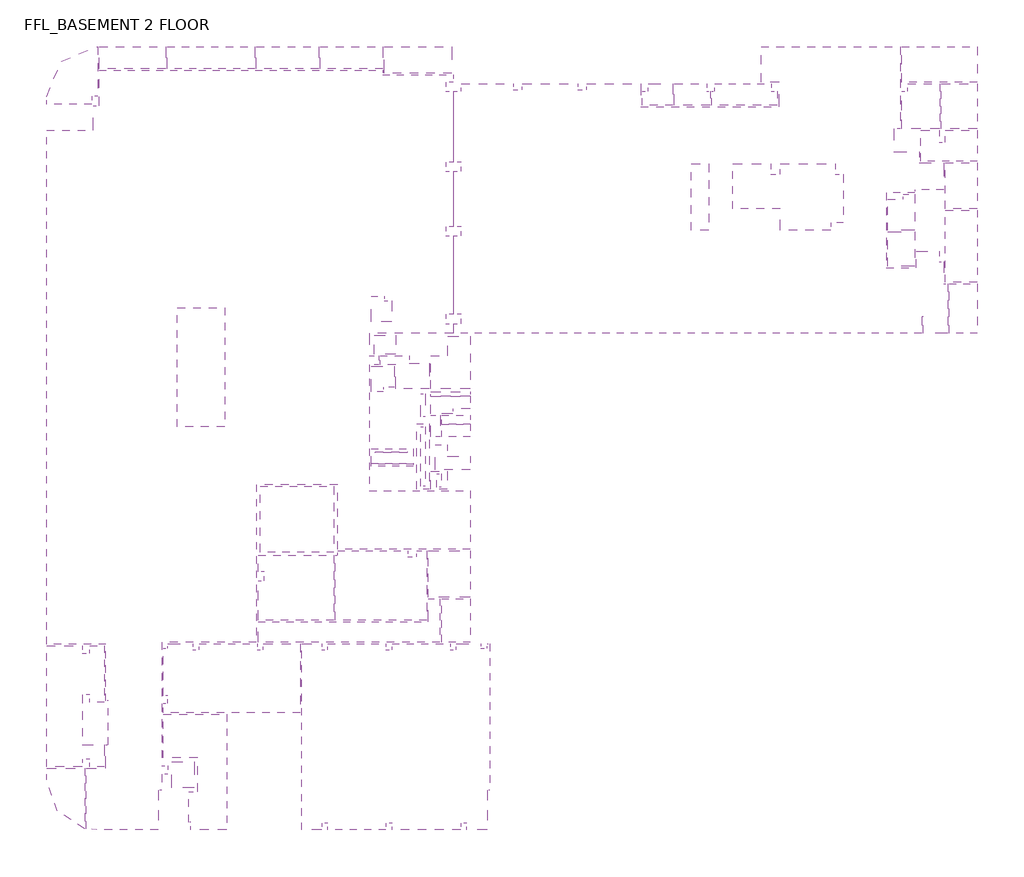
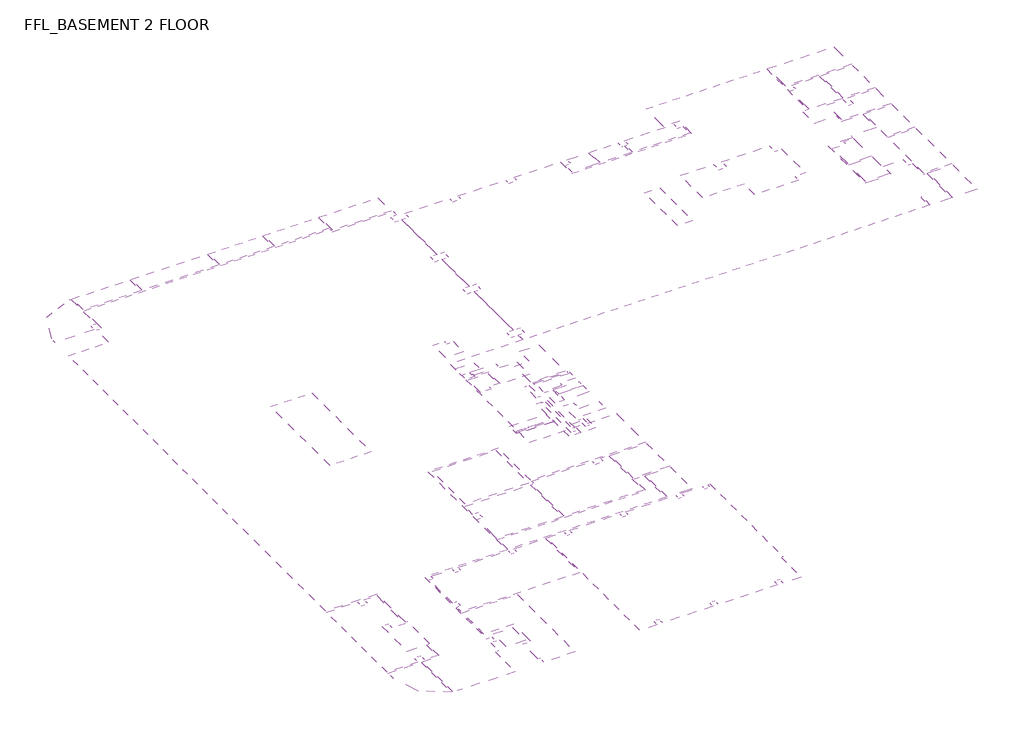
# One storey: 54 coverings.
"""IFC4 building model written with IfcOpenShell, lengths in millimetres."""

from ifc_helpers import new_model, si_unit, point, frame, frame_2d, origin, place, context, project, spatial, polyline, circle_curve, trimmed, segment, composite_curve, outline, extrude, element, save

model = new_model("IFC4")

# Units and contexts
model_context = context("Model", 3, world=origin())
ifc_project = project(units=[si_unit("LENGTHUNIT", "METRE", prefix="MILLI")], contexts=[model_context])

# Site, building, storey
site = spatial("IfcSite", under=ifc_project)
building = spatial("IfcBuilding", under=site)
storey = spatial("IfcBuildingStorey", under=building, Name="FFL_BASEMENT 2 FLOOR", Elevation=-10350.0)

# Coverings
placement = place(None, origin())
element("IfcCovering", 1, at=placement, inside=storey, context=model_context, shape_type="SweptSolid", body=[
    extrude(outline(composite_curve([segment(polyline([(-108405.1920273, -11409.652132), (-108405.1920273, -8209.652132), (-107605.1920273, -8209.652132), (-107605.1920273, -3599.652132), (-70605.1920273, -3599.652132), (-70605.1920273, -4209.652132), (-61430.1920273, -4209.652132), (-61430.1920273, -5159.652132), (-62430.1920273, -5159.652132), (-62430.1920273, -6359.652132), (-61430.1920273, -6359.652132), (-61430.1920273, -15609.652132), (-62430.1920273, -15609.652132), (-62430.1920273, -16809.652132), (-61430.1920273, -16809.652132), (-61430.1920273, -24009.652132), (-62430.1920273, -24009.652132), (-62430.1920273, -25209.652132), (-61430.1920273, -25209.652132), (-61430.1920273, -35459.652132), (-62430.1920273, -35459.652132), (-62430.1920273, -36659.652132), (-61430.1920273, -36659.652132), (-61430.1920273, -37959.652132), (-72355.1920273, -37959.652132), (-72355.1920273, -40859.652132), (-71155.1920273, -40859.652132), (-71155.1920273, -42059.652132), (-72355.1920273, -42059.652132), (-72355.1920273, -58509.652132), (-59205.1920273, -58509.652132), (-59205.1920273, -66109.6521319), (-76505.1920273, -66109.6521319), (-76505.1920273, -57709.652132), (-87105.1920273, -57709.652132), (-87105.1920273, -78259.6521322), (-99455.1920273, -78259.6521322), (-99455.1920273, -94359.6521322), (-98655.1920273, -94359.6521322), (-98655.1920273, -95459.6521322), (-99455.1920273, -95459.6521322), (-99455.1920273, -97559.6521322), (-99955.1920273, -97559.6521322), (-99955.1920273, -102759.6521322), (-107955.1920273, -102759.6521322)]), True, "CONTINUOUS"), segment(trimmed(circle_curve(frame_2d((-107955.1920273, -96209.6521322)), 6550.0), [point((-107955.1920273, -102759.6521322))], [point((-109305.1920273, -102619.0202757))], False, "CARTESIAN"), True, "CONTINUOUS"), segment(polyline([(-109305.1920273, -102619.0202757), (-109305.1920273, -94709.652132), (-106755.1920273, -94709.652132), (-106755.1920273, -91630.052132), (-106455.1920273, -91630.052132), (-106455.1920273, -85910.052132), (-106755.1920273, -85910.052132), (-106755.1920273, -78509.6521321), (-114505.1920273, -78509.6521321), (-114505.1920273, -55609.652132), (-114505.1920273, -11409.652132), (-108405.1920273, -11409.652132)]), True, "CONTINUOUS")], self_intersect=False), holes=[composite_curve([segment(polyline([(-93435.1920273, -21009.652132), (-97555.1920273, -21009.652132), (-97555.1920273, -23909.652132), (-99755.1920273, -23909.652132), (-99755.1920273, -25309.652132), (-97655.1920273, -25309.652132), (-97655.1920273, -32209.652132), (-98655.1920273, -32209.652132), (-98655.1920273, -33209.652132), (-97455.1920273, -33209.652132), (-97455.1920273, -32409.652132), (-95705.1920273, -32409.652132), (-95705.1920273, -34409.652132), (-97655.1920273, -34409.652132), (-97655.1920273, -40909.652132), (-98655.1920273, -40909.652132), (-98655.1920273, -41909.652132), (-97655.1920273, -41909.652132), (-97655.1920273, -49309.652132), (-98655.1920273, -49309.652132), (-98655.1920273, -50309.652132), (-91055.1920273, -50309.652132), (-91055.1920273, -34609.652132), (-89655.1920273, -34609.652132), (-89655.1920273, -37434.652132), (-89255.1920273, -37434.652132), (-89255.1920273, -36934.652132), (-89455.1920273, -36934.652132), (-89455.1920273, -34609.652132), (-85905.1920273, -34609.652132), (-85905.1920273, -24609.652132), (-86574.0450445, -24609.652132)]), True, "CONTINUOUS"), segment(trimmed(circle_curve(frame_2d((-84355.1920273, -29201.6768802)), 5100.0), [point((-86574.0450445, -24609.652132))], [point((-84640.2949138, -24109.6521018))], False, "CARTESIAN"), True, "CONTINUOUS"), segment(polyline([(-84640.2949138, -24109.6521018), (-78405.1920273, -24109.6521018), (-78405.1920273, -25109.6521018), (-77405.1920273, -25109.6521018), (-77405.1920273, -24109.652132), (-71305.1920273, -24109.652132), (-71305.1920273, -25309.652132), (-68905.1920273, -25309.652132), (-68905.1920273, -18859.652132), (-69405.1920273, -18859.652132), (-69405.1920273, -19059.6520715), (-77655.1920273, -19059.6520715), (-77655.1920273, -18859.652132), (-78155.1920273, -18859.652132), (-78155.1920273, -19059.6521018), (-83492.2888015, -19059.6521018), (-83492.2888015, -18859.652132), (-84792.2888015, -18859.652132), (-84792.2888015, -19063.7742095)]), True, "CONTINUOUS"), segment(trimmed(circle_curve(frame_2d((-84505.1920273, -29059.652132)), 10000.0), [point((-84792.2888015, -19063.7742095))], [point((-89728.3468206, -20532.1288102))], True, "CARTESIAN"), True, "CONTINUOUS"), segment(polyline([(-89728.3468206, -20532.1288102), (-89829.7942425, -20365.2269493), (-90257.0583138, -20624.9294972), (-90148.2276157, -20803.978365)]), True, "CONTINUOUS"), segment(trimmed(circle_curve(frame_2d((-84505.1920273, -29059.652132)), 10000.0), [point((-90148.2276157, -20803.978365))], [point((-92708.0614537, -23340.1300215))], True, "CARTESIAN"), True, "CONTINUOUS"), segment(polyline([(-92708.0614537, -23340.1300215), (-92872.4812529, -23225.5781399), (-93158.3041307, -23635.8284081), (-92983.7750941, -23757.4234328)]), True, "CONTINUOUS"), segment(trimmed(circle_curve(frame_2d((-84505.1920273, -29059.652132)), 10000.0), [point((-92983.7750941, -23757.4234328))], [point((-93435.1920273, -24559.085501))], True, "CARTESIAN"), True, "CONTINUOUS"), segment(polyline([(-93435.1920273, -24559.085501), (-93435.1920273, -21009.652132)]), True, "CONTINUOUS")], self_intersect=False), polyline([(-72355.1920273, -36659.652132), (-69255.1920273, -36659.652132), (-69255.1920273, -32109.652132), (-70455.1920273, -32109.652132), (-70455.1920273, -32909.652132), (-72355.1920273, -32909.652132), (-72355.1920273, -36659.652132)]), polyline([(-77305.1920273, -49209.652132), (-79105.1920273, -49209.652132), (-79105.1920273, -50409.652132), (-77305.1920273, -50409.652132), (-77305.1920273, -49209.652132)]), polyline([(-85755.1920273, -50309.652132), (-85755.1920273, -49109.652132), (-87355.1920273, -49109.652132), (-87355.1920273, -50309.652132), (-85755.1920273, -50309.652132)]), polyline([(-85705.1920273, -42009.652132), (-85705.1920273, -40809.652132), (-87305.1920273, -40809.652132), (-87305.1920273, -42009.652132), (-85705.1920273, -42009.652132)]), polyline([(-77505.1920273, -42009.652132), (-77505.1920273, -40809.652132), (-79105.1920273, -40809.652132), (-79105.1920273, -42009.652132), (-77505.1920273, -42009.652132)]), polyline([(-77505.1920273, -34609.652132), (-77505.1920273, -32209.652132), (-78905.1920273, -32209.652132), (-78905.1920273, -34609.652132), (-77505.1920273, -34609.652132)]), polyline([(-97455.1920273, -57709.652132), (-98655.1920273, -57709.652132), (-98655.1920273, -58709.652132), (-97455.1920273, -58709.652132), (-97455.1920273, -57709.652132)]), polyline([(-97855.1920273, -70259.652132), (-97855.1920273, -69459.652132), (-98655.1920273, -69459.652132), (-98655.1920273, -70259.652132), (-97855.1920273, -70259.652132)]), polyline([(-94505.1920273, -69059.652132), (-95505.1920273, -69059.652132), (-95505.1920273, -70259.652132), (-94505.1920273, -70259.652132), (-94505.1920273, -69059.652132)]), polyline([(-108855.1920273, -69059.652132), (-109855.1920273, -69059.652132), (-109855.1920273, -70259.652132), (-108855.1920273, -70259.652132), (-108855.1920273, -69059.652132)]), polyline([(-109855.1920273, -57609.652132), (-110855.1920273, -57609.652132), (-110855.1920273, -58809.652132), (-109855.1920273, -58809.652132), (-109855.1920273, -57609.652132)]), polyline([(-109855.1920273, -49209.6534707), (-110855.1920273, -49209.6534707), (-110855.1920273, -50409.6534707), (-109855.1920273, -50409.6534707), (-109855.1920273, -49209.6534707)]), polyline([(-109855.1920273, -40809.652132), (-110855.1920273, -40809.652132), (-110855.1920273, -42009.652132), (-109855.1920273, -42009.652132), (-109855.1920273, -40809.652132)]), polyline([(-109855.1920273, -32409.652132), (-110855.1920273, -32409.652132), (-110855.1920273, -33609.652132), (-109855.1920273, -33609.652132), (-109855.1920273, -32409.652132)]), polyline([(-109850.3481352, -25209.652132), (-109850.3481352, -24009.652132), (-110850.3481352, -24009.652132), (-110850.3481352, -25209.652132), (-109850.3481352, -25209.652132)]), polyline([(-109855.1920273, -15609.652132), (-110855.1920273, -15609.652132), (-110855.1920273, -16809.652132), (-109855.1920273, -16809.652132), (-109855.1920273, -15609.652132)]), polyline([(-97355.1920273, -15509.652132), (-99755.1920273, -15509.652132), (-99755.1920273, -16909.652132), (-97355.1920273, -16909.652132), (-97355.1920273, -15509.652132)]), polyline([(-98755.1920273, -5159.652132), (-99755.1920273, -5159.652132), (-99755.1920273, -6359.652132), (-98755.1920273, -6359.652132), (-98755.1920273, -5159.652132)]), polyline([(-94305.1920273, -5159.652132), (-95705.1920273, -5159.652132), (-95705.1920273, -7559.652132), (-94305.1920273, -7559.652132), (-94305.1920273, -5159.652132)]), polyline([(-85905.1920273, -5159.652132), (-87305.1920273, -5159.652132), (-87305.1920273, -7559.652132), (-85905.1920273, -7559.652132), (-85905.1920273, -5159.652132)]), polyline([(-85905.1920273, -16409.652132), (-85905.1920273, -15209.652132), (-86905.1920273, -15209.652132), (-86905.1920273, -16409.652132), (-85905.1920273, -16409.652132)]), polyline([(-78305.1920273, -15209.652132), (-78305.1920273, -16409.652132), (-77305.1920273, -16409.652132), (-77305.1920273, -15209.652132), (-78305.1920273, -15209.652132)]), polyline([(-68905.1920273, -15509.652132), (-71305.1920273, -15509.652132), (-71305.1920273, -16909.652132), (-68905.1920273, -16909.652132), (-68905.1920273, -15509.652132)]), polyline([(-70305.1920273, -6359.652132), (-69305.1920273, -6359.652132), (-69305.1920273, -5159.652132), (-70305.1920273, -5159.652132), (-70305.1920273, -6359.652132)]), polyline([(-77505.1920273, -5159.652132), (-78905.1920273, -5159.652132), (-78905.1920273, -7559.652132), (-77505.1920273, -7559.652132), (-77505.1920273, -5159.652132)])]), frame((0.0, 0.0, -5990.0), z_axis=(0.0, 0.0, 1.0), x_axis=(1.0, 0.0, 0.0)), (0.0, 0.0, 1.0), 20.0),
])
element("IfcCovering", 2, at=placement, inside=storey, context=model_context, shape_type="SweptSolid", body=[
    extrude(outline(polyline([(-53605.1920273, -5359.652132), (-53605.1920273, -6159.652132), (-52405.1920273, -6159.652132), (-52405.1920273, -5359.652132), (-45205.1920273, -5359.652132), (-45205.1920273, -6159.652132), (-44005.1920273, -6159.652132), (-44005.1920273, -5359.652132), (-36955.1920273, -5359.652132), (-36955.1920273, -8359.652132), (-18905.1920273, -8359.652132), (-18905.1920273, -5159.652132), (-21254.8573023, -5159.652132), (-21254.8573023, -509.652132), (-3105.1920273, -509.652132), (-3105.1920273, -11259.652132), (-3905.1920273, -11259.652132), (-3905.1920273, -14259.652132), (-605.1920273, -14259.652132), (-605.1920273, -15659.652132), (2594.8079727, -15659.652132), (2594.8079727, -19209.652132), (-1205.1920273, -19209.652132), (-1205.1920273, -19609.652132), (-4905.1920273, -19609.652132), (-4905.1920273, -29359.652132), (-1005.1920273, -29359.652132), (-1005.1920273, -27209.652132), (1994.8079727, -27209.652132), (1994.8079727, -28609.652132), (2594.8079727, -28609.652132), (2594.8079727, -31459.652132), (3094.8079727, -31459.652132), (3094.8079727, -37959.652132), (-105.1920273, -37959.652132), (-105.1920273, -35765.8059782), (-305.1920273, -35765.8059782), (-305.1920273, -37959.652132), (-61380.1920273, -37959.652132), (-61380.1920273, -36659.652132), (-60380.1920273, -36659.652132), (-60380.1920273, -35459.652132), (-61380.1920273, -35459.652132), (-61380.1920273, -25209.652132), (-60380.1920273, -25209.652132), (-60380.1920273, -24009.652132), (-61380.1920273, -24009.652132), (-61380.1920273, -16809.652132), (-60380.1920273, -16809.652132), (-60380.1920273, -15609.652132), (-61380.1920273, -15609.652132), (-61380.1920273, -6359.652132), (-60380.1920273, -6359.652132), (-60380.1920273, -5359.652132), (-53605.1920273, -5359.652132)]), holes=[polyline([(-10355.1920273, -15609.652132), (-36955.1920273, -15609.652132), (-36955.1920273, -24709.652132), (-10355.1920273, -24709.652132), (-10355.1920273, -15609.652132)])]), frame((0.0, 0.0, -5990.0), z_axis=(0.0, 0.0, 1.0), x_axis=(1.0, 0.0, 0.0)), (0.0, 0.0, 1.0), 20.0),
])
element("IfcCovering", 3, ObjectType="600 x 600mm Grid", at=placement, inside=storey, context=model_context, shape_type="SweptSolid", body=[
    extrude(outline(polyline([(-65055.1920273, -50109.652132), (-65055.1920273, -57909.652132), (-65655.1920273, -57909.652132), (-65655.1920273, -50109.652132), (-65055.1920273, -50109.652132)])), frame((0.0, 0.0, -7150.0), z_axis=(0.0, 0.0, 1.0), x_axis=(1.0, 0.0, 0.0)), (0.0, 0.0, 1.0), 52.0),
])
element("IfcCovering", 4, ObjectType="600 x 600mm Grid_Moisture", at=placement, inside=storey, context=model_context, shape_type="SweptSolid", body=[
    extrude(outline(polyline([(-59205.1920273, -55759.652132), (-63755.1920273, -55759.652132), (-63755.1920273, -52509.652132), (-62205.1920273, -52509.652132), (-62205.1920273, -53959.6521321), (-59205.1920273, -53959.6521321), (-59205.1920273, -55759.652132)])), frame((0.0, 0.0, -6850.0), z_axis=(0.0, 0.0, 1.0), x_axis=(1.0, 0.0, 0.0)), (0.0, 0.0, 1.0), 52.0),
])
element("IfcCovering", 5, ObjectType="600 x 600mm Grid_Moisture", at=placement, inside=storey, context=model_context, shape_type="SweptSolid", body=[
    extrude(outline(polyline([(-59205.1920273, -48609.6521321), (-59205.1920273, -49829.6521321), (-62905.1920273, -49829.6521321), (-62905.1920273, -48609.6521321), (-59205.1920273, -48609.6521321)])), frame((0.0, 0.0, -6850.0), z_axis=(0.0, 0.0, 1.0), x_axis=(1.0, 0.0, 0.0)), (0.0, 0.0, 1.0), 52.0),
])
element("IfcCovering", 6, ObjectType="600 x 600mm Grid_Moisture", at=placement, inside=storey, context=model_context, shape_type="SweptSolid", body=[
    extrude(outline(polyline([(-65655.1920273, -45834.652132), (-65055.1920273, -45834.652132), (-65055.1920273, -48834.652132), (-65655.1920273, -48834.652132), (-65655.1920273, -45834.652132)])), frame((0.0, 0.0, -7150.0), z_axis=(0.0, 0.0, 1.0), x_axis=(1.0, 0.0, 0.0)), (0.0, 0.0, 1.0), 52.0),
])
element("IfcCovering", 7, ObjectType="600 x 600mm Grid_Moisture", at=placement, inside=storey, context=model_context, shape_type="SweptSolid", body=[
    extrude(outline(polyline([(-59205.1920273, -46159.652132), (-59205.1920273, -47809.6521321), (-61505.1920273, -47809.6521321), (-61505.1920273, -48409.6521321), (-64355.1920273, -48409.6521321), (-64355.1920273, -46159.652132), (-59205.1920273, -46159.652132)])), frame((0.0, 0.0, -6850.0), z_axis=(0.0, 0.0, 1.0), x_axis=(1.0, 0.0, 0.0)), (0.0, 0.0, 1.0), 52.0),
])
element("IfcCovering", 8, ObjectType="600 x 600mm Grid_Moisture", at=placement, inside=storey, context=model_context, shape_type="SweptSolid", body=[
    extrude(outline(polyline([(-62980.1920273, -56234.652132), (-62980.1920273, -58034.652132), (-63580.1920273, -58034.652132), (-63580.1920273, -56234.652132), (-62980.1920273, -56234.652132)])), frame((0.0, 0.0, -6850.0), z_axis=(0.0, 0.0, 1.0), x_axis=(1.0, 0.0, 0.0)), (0.0, 0.0, 1.0), 52.0),
])
element("IfcCovering", 9, ObjectType="PAINTED MOISTURE RESISTANT GYPSUM BOARD", at=placement, inside=storey, context=model_context, shape_type="SweptSolid", body=[
    extrude(outline(polyline([(-63105.1920273, -48609.6521321), (-63105.1920273, -51459.6521321), (-64355.1920273, -51459.6521321), (-64355.1920273, -48609.6521321), (-63105.1920273, -48609.6521321)])), frame((0.0, 0.0, -6850.0), z_axis=(0.0, 0.0, 1.0), x_axis=(1.0, 0.0, 0.0)), (0.0, 0.0, 1.0), 57.0),
])
element("IfcCovering", 10, ObjectType="PAINTED MOISTURE RESISTANT GYPSUM BOARD", at=placement, inside=storey, context=model_context, shape_type="SweptSolid", body=[
    extrude(outline(polyline([(-59205.1920273, -45559.652132), (-59205.1920273, -46159.652132), (-64355.1920273, -46159.652132), (-64355.1920273, -45559.652132), (-59205.1920273, -45559.652132)])), frame((0.0, 0.0, -7150.0), z_axis=(0.0, 0.0, 1.0), x_axis=(1.0, 0.0, 0.0)), (0.0, 0.0, 1.0), 57.0),
    extrude(outline(polyline([(-59205.1920273, -48009.6521321), (-59205.1920273, -48609.6521321), (-61305.1920273, -48609.6521321), (-61305.1920273, -48009.6521321), (-59205.1920273, -48009.6521321)])), frame((0.0, 0.0, -7150.0), z_axis=(0.0, 0.0, 1.0), x_axis=(1.0, 0.0, 0.0)), (0.0, 0.0, 1.0), 57.0),
    extrude(outline(polyline([(-63755.1920273, -52509.652132), (-63755.1920273, -55759.652132), (-64355.1920273, -55759.652132), (-64355.1920273, -52509.652132), (-63755.1920273, -52509.652132)])), frame((0.0, 0.0, -7150.0), z_axis=(0.0, 0.0, 1.0), x_axis=(1.0, 0.0, 0.0)), (0.0, 0.0, 1.0), 57.0),
])
element("IfcCovering", 11, ObjectType="PAINTED MOISTURE RESISTANT GYPSUM BOARD", at=placement, inside=storey, context=model_context, shape_type="SweptSolid", body=[
    extrude(outline(polyline([(-59205.1920273, -49829.6521321), (-59205.1920273, -51459.6521321), (-62905.1920273, -51459.6521321), (-62905.1920273, -49829.6521321), (-59205.1920273, -49829.6521321)])), frame((0.0, 0.0, -6850.0), z_axis=(0.0, 0.0, 1.0), x_axis=(1.0, 0.0, 0.0)), (0.0, 0.0, 1.0), 57.0),
    extrude(outline(polyline([(-59205.1920273, -53959.6521321), (-62005.1920273, -53959.6521321), (-62005.1920273, -52309.6521321), (-59205.1920273, -52309.6521321), (-59205.1920273, -53959.6521321)])), frame((0.0, 0.0, -6850.0), z_axis=(0.0, 0.0, 1.0), x_axis=(1.0, 0.0, 0.0)), (0.0, 0.0, 1.0), 57.0),
    extrude(outline(polyline([(-59205.1920273, -55759.652132), (-59205.1920273, -57409.652132), (-62005.1920273, -57409.652132), (-62005.1920273, -55759.652132), (-59205.1920273, -55759.652132)])), frame((0.0, 0.0, -6850.0), z_axis=(0.0, 0.0, 1.0), x_axis=(1.0, 0.0, 0.0)), (0.0, 0.0, 1.0), 57.0),
])
element("IfcCovering", 12, ObjectType="PAINTED MOISTURE RESISTANT GYPSUM BOARD", at=placement, inside=storey, context=model_context, shape_type="SweptSolid", body=[
    extrude(outline(polyline([(-62205.1920273, -55959.652132), (-62205.1920273, -58309.652132), (-64355.1920273, -58309.652132), (-64355.1920273, -55959.652132), (-62205.1920273, -55959.652132)]), holes=[polyline([(-62980.1920273, -56234.652132), (-63580.1920273, -56234.652132), (-63580.1920273, -58034.652132), (-62980.1920273, -58034.652132), (-62980.1920273, -56234.652132)])]), frame((0.0, 0.0, -7350.0), z_axis=(0.0, 0.0, 1.0), x_axis=(1.0, 0.0, 0.0)), (0.0, 0.0, 1.0), 57.0),
])
element("IfcCovering", 13, ObjectType="Plain", at=placement, inside=storey, context=model_context, shape_type="SweptSolid", body=[
    extrude(outline(polyline([(-28055.1920273, -15809.652132), (-28055.1920273, -24509.652132), (-30355.1920273, -24509.652132), (-30355.1920273, -15809.652132), (-28055.1920273, -15809.652132)])), frame((0.0, 0.0, -6850.0), z_axis=(0.0, 0.0, 1.0), x_axis=(1.0, 0.0, 0.0)), (0.0, 0.0, 1.0), 57.0),
])
element("IfcCovering", 14, ObjectType="Plain", at=placement, inside=storey, context=model_context, shape_type="SweptSolid", body=[
    extrude(outline(polyline([(-68905.1920273, -38159.652132), (-68905.1920273, -40659.652132), (-71755.1920273, -40659.652132), (-71755.1920273, -38159.652132), (-68905.1920273, -38159.652132)])), frame((0.0, 0.0, -6850.0), z_axis=(0.0, 0.0, 1.0), x_axis=(1.0, 0.0, 0.0)), (0.0, 0.0, 1.0), 57.0),
    extrude(outline(polyline([(-66415.1920273, -40659.652132), (-68705.1920273, -40659.652132), (-68705.1920273, -38159.652132), (-66415.1920273, -38159.652132), (-66415.1920273, -40659.652132)])), frame((0.0, 0.0, -6850.0), z_axis=(0.0, 0.0, 1.0), x_axis=(1.0, 0.0, 0.0)), (0.0, 0.0, 1.0), 57.0),
    extrude(outline(polyline([(-64555.1920273, -38159.652132), (-64555.1920273, -40659.652132), (-66215.1920273, -40659.652132), (-66215.1920273, -38159.652132), (-64555.1920273, -38159.652132)])), frame((0.0, 0.0, -6850.0), z_axis=(0.0, 0.0, 1.0), x_axis=(1.0, 0.0, 0.0)), (0.0, 0.0, 1.0), 57.0),
    extrude(outline(polyline([(-62355.1920273, -38159.652132), (-62355.1920273, -40659.652132), (-64355.1920273, -40659.652132), (-64355.1920273, -38159.652132), (-62355.1920273, -38159.652132)])), frame((0.0, 0.0, -6850.0), z_axis=(0.0, 0.0, 1.0), x_axis=(1.0, 0.0, 0.0)), (0.0, 0.0, 1.0), 57.0),
])
element("IfcCovering", 15, ObjectType="Plain", at=placement, inside=storey, context=model_context, shape_type="SweptSolid", body=[
    extrude(outline(polyline([(-59205.1920273, -38309.652132), (-59205.1920273, -45159.652132), (-64355.1920273, -45159.652132), (-64355.1920273, -40859.652132), (-62155.1920273, -40859.652132), (-62155.1920273, -38309.652132), (-59205.1920273, -38309.652132)])), frame((0.0, 0.0, -7350.0), z_axis=(0.0, 0.0, 1.0), x_axis=(1.0, 0.0, 0.0)), (0.0, 0.0, 1.0), 57.0),
])
element("IfcCovering", 16, ObjectType="Plain", at=placement, inside=storey, context=model_context, shape_type="SweptSolid", body=[
    extrude(outline(polyline([(-64555.1920273, -49709.652132), (-64555.1920273, -58309.652132), (-66155.1920273, -58309.652132), (-66155.1920273, -49709.652132), (-64555.1920273, -49709.652132)]), holes=[polyline([(-65055.1920273, -50109.652132), (-65655.1920273, -50109.652132), (-65655.1920273, -57909.652132), (-65055.1920273, -57909.652132), (-65055.1920273, -50109.652132)])]), frame((0.0, 0.0, -7350.0), z_axis=(0.0, 0.0, 1.0), x_axis=(1.0, 0.0, 0.0)), (0.0, 0.0, 1.0), 57.0),
    extrude(outline(polyline([(-64555.1920273, -45159.652132), (-64555.1920273, -49509.652132), (-66155.1920273, -49509.652132), (-66155.1920273, -45159.652132), (-64555.1920273, -45159.652132)]), holes=[polyline([(-65055.1920273, -45834.652132), (-65655.1920273, -45834.652132), (-65655.1920273, -48839.6521321), (-65055.1920273, -48839.6521321), (-65055.1920273, -45834.652132)])]), frame((0.0, 0.0, -7350.0), z_axis=(0.0, 0.0, 1.0), x_axis=(1.0, 0.0, 0.0)), (0.0, 0.0, 1.0), 57.0),
])
element("IfcCovering", 17, ObjectType="Plain", at=placement, inside=storey, context=model_context, shape_type="SweptSolid", body=[
    extrude(outline(polyline([(-66655.1920273, -53009.652132), (-66655.1920273, -55009.652132), (-72155.1920273, -55009.652132), (-72155.1920273, -53009.652132), (-66655.1920273, -53009.652132)]), holes=[polyline([(-67430.1920273, -53384.652132), (-71580.1920273, -53384.652132), (-71580.1920273, -53534.652132), (-67430.1920273, -53534.652132), (-67430.1920273, -53384.652132)])]), frame((0.0, 0.0, -6850.0), z_axis=(0.0, 0.0, 1.0), x_axis=(1.0, 0.0, 0.0)), (0.0, 0.0, 1.0), 57.0),
])
element("IfcCovering", 18, ObjectType="Plain", at=placement, inside=storey, context=model_context, shape_type="SweptSolid", body=[
    extrude(outline(polyline([(-66655.1920273, -53109.652132), (-72155.1920273, -53109.652132), (-72155.1920273, -52709.652132), (-66655.1920273, -52709.652132), (-66655.1920273, -53109.652132)])), frame((0.0, 0.0, -6650.0), z_axis=(0.0, 0.0, 1.0), x_axis=(1.0, 0.0, 0.0)), (0.0, 0.0, 1.0), 57.0),
    extrude(outline(polyline([(-72155.1920273, -54909.652132), (-66655.1920273, -54909.652132), (-66655.1920273, -55309.652132), (-72155.1920273, -55309.652132), (-72155.1920273, -54909.652132)])), frame((0.0, 0.0, -6650.0), z_axis=(0.0, 0.0, 1.0), x_axis=(1.0, 0.0, 0.0)), (0.0, 0.0, 1.0), 57.0),
])
element("IfcCovering", 19, ObjectType="Plain", at=placement, inside=storey, context=model_context, shape_type="SweptSolid", body=[
    extrude(outline(polyline([(-67430.1920273, -53384.652132), (-67430.1920273, -53534.652132), (-71580.1920273, -53534.652132), (-71580.1920273, -53384.652132), (-67430.1920273, -53384.652132)])), frame((0.0, 0.0, -7650.0), z_axis=(0.0, 0.0, 1.0), x_axis=(1.0, 0.0, 0.0)), (0.0, 0.0, 1.0), 57.0),
])
element("IfcCovering", 20, ObjectType="Plaster Paint", at=placement, inside=storey, context=model_context, shape_type="SweptSolid", body=[
    extrude(outline(polyline([(6994.8079727, -31459.652132), (6994.8079727, -37959.652132), (3294.8079727, -37959.652132), (3294.8079727, -31459.652132), (6994.8079727, -31459.652132)])), frame((0.0, 0.0, -5990.0), z_axis=(0.0, 0.0, 1.0), x_axis=(1.0, 0.0, 0.0)), (0.0, 0.0, 1.0), 20.0),
])
element("IfcCovering", 21, ObjectType="Plaster Paint", at=placement, inside=storey, context=model_context, shape_type="SweptSolid", body=[
    extrude(outline(polyline([(6994.8079727, -21859.652132), (6994.8079727, -31259.652132), (2794.8079727, -31259.652132), (2794.8079727, -21859.652132), (6994.8079727, -21859.652132)])), frame((0.0, 0.0, -5990.0), z_axis=(0.0, 0.0, 1.0), x_axis=(1.0, 0.0, 0.0)), (0.0, 0.0, 1.0), 20.0),
])
element("IfcCovering", 22, ObjectType="Plaster Paint", at=placement, inside=storey, context=model_context, shape_type="SweptSolid", body=[
    extrude(outline(polyline([(6994.8079727, -15659.652132), (6994.8079727, -21659.652132), (2794.8079727, -21659.652132), (2794.8079727, -15659.652132), (6994.8079727, -15659.652132)])), frame((0.0, 0.0, -5990.0), z_axis=(0.0, 0.0, 1.0), x_axis=(1.0, 0.0, 0.0)), (0.0, 0.0, 1.0), 20.0),
])
element("IfcCovering", 23, ObjectType="Plaster Paint", at=placement, inside=storey, context=model_context, shape_type="SweptSolid", body=[
    extrude(outline(polyline([(1994.8079727, -11459.652132), (1994.8079727, -13009.652132), (2794.8079727, -13009.652132), (2794.8079727, -11459.652132), (6994.8079727, -11459.652132), (6994.8079727, -15459.652132), (-405.1920273, -15459.652132), (-405.1920273, -11459.652132), (1994.8079727, -11459.652132)])), frame((0.0, 0.0, -5990.0), z_axis=(0.0, 0.0, 1.0), x_axis=(1.0, 0.0, 0.0)), (0.0, 0.0, 1.0), 20.0),
])
element("IfcCovering", 24, ObjectType="Plaster Paint", at=placement, inside=storey, context=model_context, shape_type="SweptSolid", body=[
    extrude(outline(polyline([(-2105.1920273, -6359.652132), (-2105.1920273, -5359.652132), (2044.8079727, -5359.652132), (2044.8079727, -11259.652132), (-2905.1920273, -11259.652132), (-2905.1920273, -6359.652132), (-2105.1920273, -6359.652132)])), frame((0.0, 0.0, -5990.0), z_axis=(0.0, 0.0, 1.0), x_axis=(1.0, 0.0, 0.0)), (0.0, 0.0, 1.0), 20.0),
])
element("IfcCovering", 25, ObjectType="Plaster Paint", at=placement, inside=storey, context=model_context, shape_type="SweptSolid", body=[
    extrude(outline(polyline([(2244.8079727, -5359.652132), (6994.8079727, -5359.652132), (6994.8079727, -11259.652132), (2244.8079727, -11259.652132), (2244.8079727, -5359.652132)])), frame((0.0, 0.0, -5990.0), z_axis=(0.0, 0.0, 1.0), x_axis=(1.0, 0.0, 0.0)), (0.0, 0.0, 1.0), 20.0),
])
element("IfcCovering", 26, ObjectType="Plaster Paint", at=placement, inside=storey, context=model_context, shape_type="SweptSolid", body=[
    extrude(outline(polyline([(-2905.1920273, -509.652132), (6994.8079727, -509.652132), (6994.8079727, -5159.652132), (-2905.1920273, -5159.652132), (-2905.1920273, -509.652132)])), frame((0.0, 0.0, -5990.0), z_axis=(0.0, 0.0, 1.0), x_axis=(1.0, 0.0, 0.0)), (0.0, 0.0, 1.0), 20.0),
])
element("IfcCovering", 27, ObjectType="Plaster Paint", at=placement, inside=storey, context=model_context, shape_type="SweptSolid", body=[
    extrude(outline(polyline([(-1205.1920273, -19809.652132), (-1205.1920273, -24509.652132), (-4705.1920273, -24509.652132), (-4705.1920273, -20409.652132), (-2705.1920273, -20409.652132), (-2705.1920273, -19809.652132), (-1205.1920273, -19809.652132)])), frame((0.0, 0.0, -5990.0), z_axis=(0.0, 0.0, 1.0), x_axis=(1.0, 0.0, 0.0)), (0.0, 0.0, 1.0), 20.0),
])
element("IfcCovering", 28, ObjectType="Plaster Paint", at=placement, inside=storey, context=model_context, shape_type="SweptSolid", body=[
    extrude(outline(polyline([(-1205.1920273, -24709.652132), (-1205.1920273, -29159.652132), (-4705.1920273, -29159.652132), (-4705.1920273, -24709.652132), (-1205.1920273, -24709.652132)])), frame((0.0, 0.0, -5990.0), z_axis=(0.0, 0.0, 1.0), x_axis=(1.0, 0.0, 0.0)), (0.0, 0.0, 1.0), 20.0),
])
element("IfcCovering", 29, ObjectType="Plaster Paint", at=placement, inside=storey, context=model_context, shape_type="SweptSolid", body=[
    extrude(outline(polyline([(-11555.1920273, -17209.652132), (-10530.1920273, -17209.652132), (-10530.1920273, -23509.652132), (-12155.1920273, -23509.652132), (-12155.1920273, -24509.652132), (-18755.1920273, -24509.652132), (-18755.1920273, -21709.652132), (-24955.1920273, -21709.652132), (-24955.1920273, -15809.652132), (-19955.1920273, -15809.652132), (-19955.1920273, -17209.652132), (-18755.1920273, -17209.652132), (-18755.1920273, -15809.652132), (-11555.1920273, -15809.652132), (-11555.1920273, -17209.652132)])), frame((0.0, 0.0, -5990.0), z_axis=(0.0, 0.0, 1.0), x_axis=(1.0, 0.0, 0.0)), (0.0, 0.0, 1.0), 20.0),
])
element("IfcCovering", 30, ObjectType="Plaster Paint", at=placement, inside=storey, context=model_context, shape_type="SweptSolid", body=[
    extrude(outline(polyline([(-27305.1920273, -6359.652132), (-27305.1920273, -5359.652132), (-19905.1920273, -5359.652132), (-19905.1920273, -6359.652132), (-19105.1920273, -6359.652132), (-19105.1920273, -8159.652132), (-27705.1920273, -8159.652132), (-27705.1920273, -6359.652132), (-27305.1920273, -6359.652132)])), frame((0.0, 0.0, -5990.0), z_axis=(0.0, 0.0, 1.0), x_axis=(1.0, 0.0, 0.0)), (0.0, 0.0, 1.0), 20.0),
])
element("IfcCovering", 31, ObjectType="Plaster Paint", at=placement, inside=storey, context=model_context, shape_type="SweptSolid", body=[
    extrude(outline(polyline([(-28305.1920273, -5359.652132), (-28305.1920273, -6359.652132), (-27905.1920273, -6359.652132), (-27905.1920273, -8159.652132), (-32555.1920273, -8159.652132), (-32555.1920273, -5359.652132), (-28305.1920273, -5359.652132)])), frame((0.0, 0.0, -5990.0), z_axis=(0.0, 0.0, 1.0), x_axis=(1.0, 0.0, 0.0)), (0.0, 0.0, 1.0), 20.0),
])
element("IfcCovering", 32, ObjectType="Plaster Paint", at=placement, inside=storey, context=model_context, shape_type="SweptSolid", body=[
    extrude(outline(polyline([(-35955.1920273, -5359.652132), (-32755.1920273, -5359.652132), (-32755.1920273, -8159.652132), (-36755.1920273, -8159.652132), (-36755.1920273, -6359.652132), (-35955.1920273, -6359.652132), (-35955.1920273, -5359.652132)])), frame((0.0, 0.0, -5990.0), z_axis=(0.0, 0.0, 1.0), x_axis=(1.0, 0.0, 0.0)), (0.0, 0.0, 1.0), 20.0),
])
element("IfcCovering", 33, ObjectType="Plaster Paint", at=placement, inside=storey, context=model_context, shape_type="SweptSolid", body=[
    extrude(outline(polyline([(-61630.1920273, -509.652132), (-61630.1920273, -4009.652132), (-70405.1920273, -4009.652132), (-70405.1920273, -509.652132), (-61630.1920273, -509.652132)])), frame((0.0, 0.0, -5990.0), z_axis=(0.0, 0.0, 1.0), x_axis=(1.0, 0.0, 0.0)), (0.0, 0.0, 1.0), 20.0),
])
element("IfcCovering", 34, ObjectType="Plaster Paint", at=placement, inside=storey, context=model_context, shape_type="SweptSolid", body=[
    extrude(outline(polyline([(-70605.1920273, -509.652132), (-70605.1920273, -3399.652132), (-78805.1920273, -3399.652132), (-78805.1920273, -509.652132), (-70605.1920273, -509.652132)])), frame((0.0, 0.0, -5990.0), z_axis=(0.0, 0.0, 1.0), x_axis=(1.0, 0.0, 0.0)), (0.0, 0.0, 1.0), 20.0),
])
element("IfcCovering", 35, ObjectType="Plaster Paint", at=placement, inside=storey, context=model_context, shape_type="SweptSolid", body=[
    extrude(outline(polyline([(-79005.1920273, -509.652132), (-79005.1920273, -3399.652132), (-87105.1920273, -3399.652132), (-87105.1920273, -509.652132), (-79005.1920273, -509.652132)])), frame((0.0, 0.0, -5990.0), z_axis=(0.0, 0.0, 1.0), x_axis=(1.0, 0.0, 0.0)), (0.0, 0.0, 1.0), 20.0),
])
element("IfcCovering", 36, ObjectType="Plaster Paint", at=placement, inside=storey, context=model_context, shape_type="SweptSolid", body=[
    extrude(outline(polyline([(-87305.1920273, -509.652132), (-87305.1920273, -3399.652132), (-98755.1920273, -3399.652132), (-98755.1920273, -509.652132), (-87305.1920273, -509.652132)])), frame((0.0, 0.0, -5990.0), z_axis=(0.0, 0.0, 1.0), x_axis=(1.0, 0.0, 0.0)), (0.0, 0.0, 1.0), 20.0),
])
element("IfcCovering", 37, ObjectType="Plaster Paint", at=placement, inside=storey, context=model_context, shape_type="SweptSolid", body=[
    extrude(outline(polyline([(-98955.1920273, -509.652132), (-98955.1920273, -3399.652132), (-107605.1920273, -3399.652132), (-107605.1920273, -509.652132), (-98955.1920273, -509.652132)])), frame((0.0, 0.0, -5990.0), z_axis=(0.0, 0.0, 1.0), x_axis=(1.0, 0.0, 0.0)), (0.0, 0.0, 1.0), 20.0),
])
element("IfcCovering", 38, ObjectType="Plaster Paint", at=placement, inside=storey, context=model_context, shape_type="SweptSolid", body=[
    extrude(outline(composite_curve([segment(polyline([(-107955.1920273, -509.652132), (-107805.1920273, -509.652132), (-107805.1920273, -7009.652132), (-108605.1920273, -7009.652132), (-108605.1920273, -8009.652132), (-114505.1920273, -8009.652132), (-114505.1920273, -7059.652132)]), True, "CONTINUOUS"), segment(trimmed(circle_curve(frame_2d((-107955.1920273, -7059.652132)), 6550.0), [point((-114505.1920273, -7059.652132))], [point((-107955.1920273, -509.652132))], False, "CARTESIAN"), True, "CONTINUOUS")], self_intersect=False)), frame((0.0, 0.0, -5990.0), z_axis=(0.0, 0.0, 1.0), x_axis=(1.0, 0.0, 0.0)), (0.0, 0.0, 1.0), 20.0),
])
element("IfcCovering", 39, ObjectType="Plaster Paint", at=placement, inside=storey, context=model_context, shape_type="SweptSolid", body=[
    extrude(outline(composite_curve([segment(polyline([(-114505.1920273, -96209.6521322), (-114505.1920273, -94709.652132), (-109505.1920273, -94709.652132), (-109505.1920273, -102573.6131628)]), True, "CONTINUOUS"), segment(trimmed(circle_curve(frame_2d((-107955.1920273, -96209.6521322)), 6550.0), [point((-109505.1920273, -102573.6131628))], [point((-114505.1920273, -96209.6521322))], False, "CARTESIAN"), True, "CONTINUOUS")], self_intersect=False)), frame((0.0, 0.0, -5990.0), z_axis=(0.0, 0.0, 1.0), x_axis=(1.0, 0.0, 0.0)), (0.0, 0.0, 1.0), 20.0),
])
element("IfcCovering", 40, ObjectType="Plaster Paint", at=placement, inside=storey, context=model_context, shape_type="SweptSolid", body=[
    extrude(outline(polyline([(-108855.1920273, -78709.6521321), (-106955.1920273, -78709.6521321), (-106955.1920273, -86110.052132), (-108855.1920273, -86110.052132), (-108855.1920273, -85109.652132), (-109855.1920273, -85109.652132), (-109855.1920273, -91630.052132), (-106955.1920273, -91630.052132), (-106955.1920273, -94509.652132), (-108855.1920273, -94509.652132), (-108855.1920273, -93509.652132), (-109855.1920273, -93509.652132), (-109855.1920273, -94509.652132), (-114505.1920273, -94509.652132), (-114505.1920273, -78709.6521321), (-109855.1920273, -78709.6521321), (-109855.1920273, -79709.6521321), (-108855.1920273, -79709.6521321), (-108855.1920273, -78709.6521321)])), frame((0.0, 0.0, -5990.0), z_axis=(0.0, 0.0, 1.0), x_axis=(1.0, 0.0, 0.0)), (0.0, 0.0, 1.0), 20.0),
])
element("IfcCovering", 41, ObjectType="Plaster Paint", at=placement, inside=storey, context=model_context, shape_type="SweptSolid", body=[
    extrude(outline(polyline([(-77005.1920273, -66909.652132), (-77005.1920273, -75359.6521322), (-86905.1920273, -75359.6521322), (-86905.1920273, -70259.652132), (-86105.1920273, -70259.652132), (-86105.1920273, -69059.652132), (-86905.1920273, -69059.652132), (-86905.1920273, -66909.652132), (-77005.1920273, -66909.652132)]), holes=[polyline([(-77705.1920273, -69059.6521319), (-78705.1920273, -69059.6521319), (-78705.1920273, -70259.6521319), (-77705.1920273, -70259.6521319), (-77705.1920273, -69059.6521319)])]), frame((0.0, 0.0, -5990.0), z_axis=(0.0, 0.0, 1.0), x_axis=(1.0, 0.0, 0.0)), (0.0, 0.0, 1.0), 20.0),
])
element("IfcCovering", 42, ObjectType="Plaster Paint", at=placement, inside=storey, context=model_context, shape_type="SweptSolid", body=[
    extrude(outline(polyline([(-64855.1920273, -66309.6521319), (-64855.1920273, -75359.6521322), (-76805.1920273, -75359.6521322), (-76805.1920273, -66909.652132), (-76505.1920273, -66909.652132), (-76505.1920273, -66309.6521319), (-67355.1920273, -66309.6521319), (-67355.1920273, -67109.6521319), (-66155.1920273, -67109.6521319), (-66155.1920273, -66309.6521319), (-64855.1920273, -66309.6521319)]), holes=[polyline([(-66155.1920273, -69459.6521319), (-66955.1920273, -69459.6521319), (-66955.1920273, -70259.6521319), (-66155.1920273, -70259.6521319), (-66155.1920273, -69459.6521319)])]), frame((0.0, 0.0, -5990.0), z_axis=(0.0, 0.0, 1.0), x_axis=(1.0, 0.0, 0.0)), (0.0, 0.0, 1.0), 20.0),
])
element("IfcCovering", 43, ObjectType="Plaster Paint", at=placement, inside=storey, context=model_context, shape_type="SweptSolid", body=[
    extrude(outline(polyline([(-86905.1920273, -78259.6521322), (-86905.1920273, -75559.6521322), (-64655.1920273, -75559.6521322), (-64655.1920273, -72559.652132), (-63155.1920273, -72559.652132), (-63155.1920273, -78259.6521322), (-86905.1920273, -78259.6521322)])), frame((0.0, 0.0, -5990.0), z_axis=(0.0, 0.0, 1.0), x_axis=(1.0, 0.0, 0.0)), (0.0, 0.0, 1.0), 20.0),
])
element("IfcCovering", 44, ObjectType="Plaster Paint", at=placement, inside=storey, context=model_context, shape_type="SweptSolid", body=[
    extrude(outline(polyline([(-59205.1920273, -72559.652132), (-59205.1920273, -78259.6521322), (-62955.1920273, -78259.6521322), (-62955.1920273, -72559.652132), (-59205.1920273, -72559.652132)])), frame((0.0, 0.0, -5990.0), z_axis=(0.0, 0.0, 1.0), x_axis=(1.0, 0.0, 0.0)), (0.0, 0.0, 1.0), 20.0),
])
element("IfcCovering", 45, ObjectType="Plaster Paint", at=placement, inside=storey, context=model_context, shape_type="SweptSolid", body=[
    extrude(outline(polyline([(-59205.1920273, -66309.6521319), (-59205.1920273, -72359.652132), (-64655.1920273, -72359.652132), (-64655.1920273, -66309.6521319), (-59205.1920273, -66309.6521319)])), frame((0.0, 0.0, -5990.0), z_axis=(0.0, 0.0, 1.0), x_axis=(1.0, 0.0, 0.0)), (0.0, 0.0, 1.0), 20.0),
])
element("IfcCovering", 46, ObjectType="Plaster Paint", at=placement, inside=storey, context=model_context, shape_type="SweptSolid", body=[
    extrude(outline(polyline([(-95255.1920273, -93859.6521322), (-95255.1920273, -97259.6521322), (-98155.1920273, -97259.6521322), (-98155.1920273, -93859.6521322), (-95255.1920273, -93859.6521322)])), frame((0.0, 0.0, -5990.0), z_axis=(0.0, 0.0, 1.0), x_axis=(1.0, 0.0, 0.0)), (0.0, 0.0, 1.0), 20.0),
])
element("IfcCovering", 47, ObjectType="Plaster Paint", at=placement, inside=storey, context=model_context, shape_type="SweptSolid", body=[
    extrude(outline(polyline([(-90955.1920273, -87659.6521322), (-90955.1920273, -102759.6521322), (-95655.1920273, -102759.6521322), (-95655.1920273, -101759.6521322), (-95955.1920273, -101759.6521322), (-95955.1920273, -97759.6521322), (-94755.1920273, -97759.6521322), (-94755.1920273, -93359.6521322), (-99255.1920273, -93359.6521322), (-99255.1920273, -87659.6521322), (-90955.1920273, -87659.6521322)])), frame((0.0, 0.0, -5990.0), z_axis=(0.0, 0.0, 1.0), x_axis=(1.0, 0.0, 0.0)), (0.0, 0.0, 1.0), 20.0),
])
element("IfcCovering", 48, ObjectType="Plaster Paint", at=placement, inside=storey, context=model_context, shape_type="SweptSolid", body=[
    extrude(outline(polyline([(-95405.1920273, -78459.6521322), (-95405.1920273, -79259.6521322), (-94605.1920273, -79259.6521322), (-94605.1920273, -78459.6521322), (-87005.1920273, -78459.6521322), (-87005.1920273, -79259.6521322), (-86205.1920273, -79259.6521322), (-86205.1920273, -78459.6521322), (-81405.1920273, -78459.6521322), (-81405.1920273, -87459.6521322), (-99255.1920273, -87459.6521322), (-99255.1920273, -86209.6521322), (-98655.1920273, -86209.6521322), (-98655.1920273, -85209.6521322), (-99255.1920273, -85209.6521322), (-99255.1920273, -79059.6521322), (-98655.1920273, -79059.6521322), (-98655.1920273, -78459.6521322), (-95405.1920273, -78459.6521322)]), holes=[polyline([(-94505.1920273, -84359.6521322), (-95505.1920273, -84359.6521322), (-95505.1920273, -85659.6521322), (-94505.1920273, -85659.6521322), (-94505.1920273, -84359.6521322)]), polyline([(-86105.1920273, -84359.6521322), (-87105.1920273, -84359.6521322), (-87105.1920273, -85659.6521322), (-86105.1920273, -85659.6521322), (-86105.1920273, -84359.6521322)])]), frame((0.0, 0.0, -5990.0), z_axis=(0.0, 0.0, 1.0), x_axis=(1.0, 0.0, 0.0)), (0.0, 0.0, 1.0), 20.0),
])
element("IfcCovering", 49, ObjectType="Plaster Paint", at=placement, inside=storey, context=model_context, shape_type="SweptSolid", body=[
    extrude(outline(polyline([(-57005.1920273, -78459.6521322), (-56655.1920273, -78459.6521322), (-56655.1920273, -97559.6521319), (-56955.1920273, -97559.6521319), (-56955.1920273, -102759.6521322), (-59655.1920271, -102759.6521322), (-59655.1920271, -101859.6521322), (-60455.1920271, -101859.6521322), (-60455.1920271, -102759.6521322), (-69405.1920273, -102759.6521322), (-69405.1920273, -101859.6521322), (-70205.1920273, -101859.6521322), (-70205.1920273, -102759.6521322), (-77805.1920273, -102759.6521322), (-77805.1920273, -101859.6521322), (-78605.1920273, -101859.6521322), (-78605.1920273, -102759.6521322), (-81205.1920273, -102759.6521322), (-81205.1920273, -78459.6521322), (-78605.1920273, -78459.6521322), (-78605.1920273, -79259.6521322), (-77805.1920273, -79259.6521322), (-77805.1920273, -78459.6521322), (-70205.1920273, -78459.6521322), (-70205.1920273, -79259.6521322), (-69405.1920273, -79259.6521322), (-69405.1920273, -78459.6521322), (-61805.1920273, -78459.6521322), (-61805.1920273, -79259.6521322), (-61005.1920273, -79259.6521322), (-61005.1920273, -78459.6521322), (-57805.1920273, -78459.6521322), (-57805.1920273, -79059.6521322), (-57005.1920273, -79059.6521322), (-57005.1920273, -78459.6521322)]), holes=[polyline([(-57005.1920273, -85209.6521322), (-57805.1920273, -85209.6521322), (-57805.1920273, -86209.6521322), (-57005.1920273, -86209.6521322), (-57005.1920273, -85209.6521322)]), polyline([(-60905.1920273, -84359.6521322), (-61905.1920273, -84359.6521322), (-61905.1920273, -85659.6521322), (-60905.1920273, -85659.6521322), (-60905.1920273, -84359.6521322)]), polyline([(-69305.1920273, -84359.6521322), (-70305.1920273, -84359.6521322), (-70305.1920273, -85659.6521322), (-69305.1920273, -85659.6521322), (-69305.1920273, -84359.6521322)]), polyline([(-77705.1920272, -84359.6521322), (-78705.1920273, -84359.6521322), (-78705.1920273, -85659.6521322), (-77705.1920272, -85659.6521322), (-77705.1920272, -84359.6521322)]), polyline([(-77705.1920273, -93459.6521322), (-78705.1920273, -93459.6521322), (-78705.1920273, -94759.6521322), (-77705.1920273, -94759.6521322), (-77705.1920273, -93459.6521322)]), polyline([(-69305.1920273, -93459.6521322), (-70305.1920273, -93459.6521322), (-70305.1920273, -94759.6521322), (-69305.1920273, -94759.6521322), (-69305.1920273, -93459.6521322)]), polyline([(-60905.1920273, -93459.6521322), (-61905.1920273, -93459.6521322), (-61905.1920273, -94759.6521322), (-60905.1920273, -94759.6521322), (-60905.1920273, -93459.6521322)]), polyline([(-57005.1920273, -93609.6521322), (-57805.1920273, -93609.6521322), (-57805.1920273, -94609.6521322), (-57005.1920273, -94609.6521322), (-57005.1920273, -93609.6521322)]), polyline([(-59655.1920273, -97559.6521322), (-60755.1920273, -97559.6521322), (-60755.1920273, -98059.6521321), (-59655.1920273, -98059.6521321), (-59655.1920273, -97559.6521322)])]), frame((0.0, 0.0, -5990.0), z_axis=(0.0, 0.0, 1.0), x_axis=(1.0, 0.0, 0.0)), (0.0, 0.0, 1.0), 20.0),
])
element("IfcCovering", 50, ObjectType="Plaster Paint", at=placement, inside=storey, context=model_context, shape_type="SweptSolid", body=[
    extrude(outline(polyline([(-77005.1920273, -57909.652132), (-77005.1920273, -66509.652132), (-86605.1920273, -66509.652132), (-86605.1920273, -57909.652132), (-77005.1920273, -57909.652132)])), frame((0.0, 0.0, -5990.0), z_axis=(0.0, 0.0, 1.0), x_axis=(1.0, 0.0, 0.0)), (0.0, 0.0, 1.0), 20.0),
])
element("IfcCovering", 51, ObjectType="Plaster Paint", at=placement, inside=storey, context=model_context, shape_type="SweptSolid", body=[
    extrude(outline(polyline([(-70455.1920273, -33109.652132), (-70455.1920273, -33709.652132), (-69455.1920273, -33709.652132), (-69455.1920273, -36459.652132), (-72155.1920273, -36459.652132), (-72155.1920273, -33109.652132), (-70455.1920273, -33109.652132)])), frame((0.0, 0.0, -5990.0), z_axis=(0.0, 0.0, 1.0), x_axis=(1.0, 0.0, 0.0)), (0.0, 0.0, 1.0), 20.0),
])
element("IfcCovering", 52, ObjectType="Plaster Paint", at=placement, inside=storey, context=model_context, shape_type="SweptSolid", body=[
    extrude(outline(polyline([(-91255.1920273, -34609.652132), (-91255.1920273, -50109.652132), (-97455.1920273, -50109.652132), (-97455.1920273, -34609.652132), (-91255.1920273, -34609.652132)])), frame((0.0, 0.0, -5990.0), z_axis=(0.0, 0.0, 1.0), x_axis=(1.0, 0.0, 0.0)), (0.0, 0.0, 1.0), 20.0),
])
element("IfcCovering", 53, ObjectType="Plaster Paint", at=placement, inside=storey, context=model_context, shape_type="SweptSolid", body=[
    extrude(outline(polyline([(-69155.1920273, -42259.652132), (-69155.1920273, -44959.652132), (-70555.1920273, -44959.652132), (-70555.1920273, -45559.652132), (-72155.1920273, -45559.652132), (-72155.1920273, -42259.652132), (-69155.1920273, -42259.652132)])), frame((0.0, 0.0, -5990.0), z_axis=(0.0, 0.0, 1.0), x_axis=(1.0, 0.0, 0.0)), (0.0, 0.0, 1.0), 20.0),
])
element("IfcCovering", 54, ObjectType="Plaster Paint", at=placement, inside=storey, context=model_context, shape_type="SweptSolid", body=[
    extrude(outline(polyline([(-67155.1920273, -41859.652132), (-64555.1920273, -41859.652132), (-64555.1920273, -45159.652132), (-68955.1920273, -45159.652132), (-68955.1920273, -42059.652132), (-70955.1920273, -42059.652132), (-70955.1920273, -40859.652132), (-67155.1920273, -40859.652132), (-67155.1920273, -41859.652132)])), frame((0.0, 0.0, -5990.0), z_axis=(0.0, 0.0, 1.0), x_axis=(1.0, 0.0, 0.0)), (0.0, 0.0, 1.0), 20.0),
])

save(model, "model.ifc")
